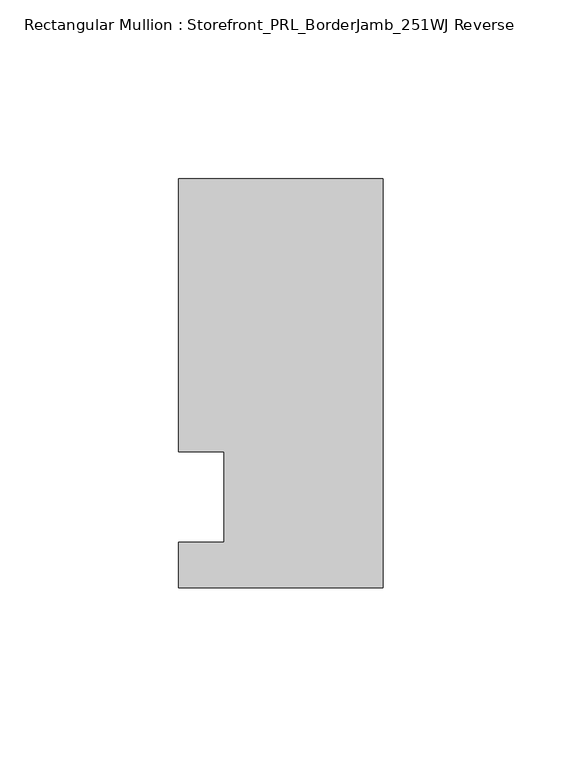
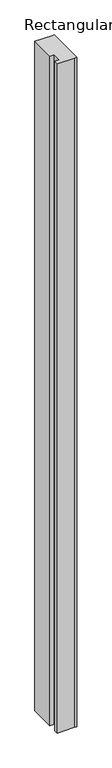
"""IFC4 building model written with IfcOpenShell, lengths in millimetres: member geometry, Rectangular Mullion : Storefront_PRL_BorderJamb_251WJ Reverse."""

from ifc_helpers import new_model, si_unit, frame, origin, place, context, project, spatial, polyline, outline, extrude, source, transform, mapped, element, save


def rectangular_mullion_storefront_prl_borderjamb_251wj_reverse_b5ef0a83(model_context):
    return source(origin(), model_context, "Body", "SweptSolid", [
        extrude(outline(polyline([(-44.45, 12.7), (-57.15, 12.7), (-57.15, 88.9), (-6.35, 88.9), (0.0, 88.9), (0.0, -25.4), (-7.3958824, -25.4), (-57.15, -25.4), (-57.15, -12.7), (-44.45, -12.7), (-44.45, 12.7)])), frame((0.0, 0.0, -2076.45), z_axis=(0.0, 0.0, 1.0), x_axis=(1.0, 0.0, 0.0)), (0.0, 0.0, 1.0), 2076.45),
    ])


if __name__ == "__main__":
    model = new_model("IFC4")
    model_context = context("Model", 3, world=origin())
    ifc_project = project(units=[si_unit("LENGTHUNIT", "METRE", prefix="MILLI")], contexts=[model_context])
    site = spatial("IfcSite", under=ifc_project)
    building = spatial("IfcBuilding", under=site)
    placement = place(None, origin())
    rectangular_mullion_storefront_prl_borderjamb_251wj_reverse_shape = rectangular_mullion_storefront_prl_borderjamb_251wj_reverse_b5ef0a83(model_context)
    element("IfcMember", 1, ObjectType="Rectangular Mullion : Storefront_PRL_BorderJamb_251WJ Reverse", at=placement, inside=building, context=model_context, shape_type="MappedRepresentation", body=[
        mapped(rectangular_mullion_storefront_prl_borderjamb_251wj_reverse_shape, transform((0.0, 0.0, 0.0), x_axis=(1.0, 0.0, 0.0), y_axis=(0.0, 1.0, 0.0), z_axis=(0.0, 0.0, 1.0))),
    ])
    save(model, "model.ifc")
